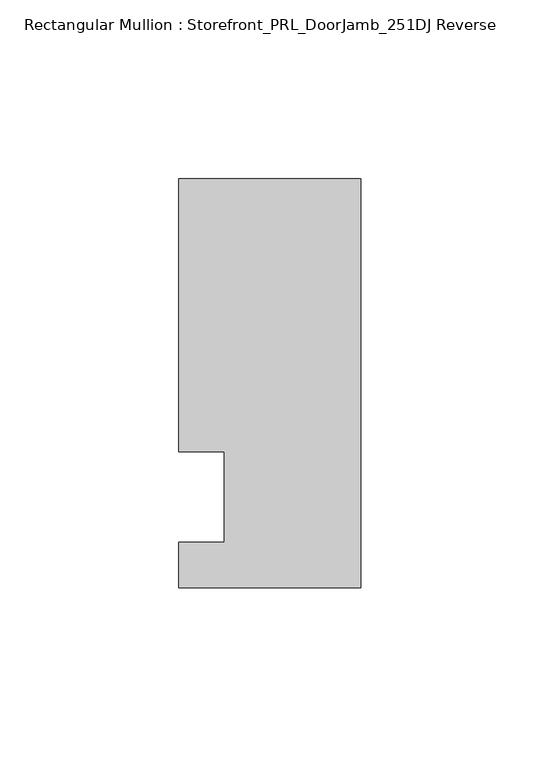
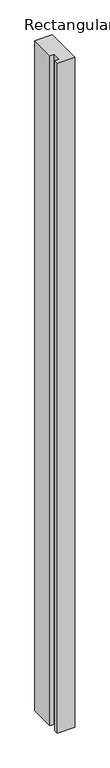
"""IFC4 building model written with IfcOpenShell, lengths in millimetres: member geometry, Rectangular Mullion : Storefront_PRL_DoorJamb_251DJ Reverse."""

from ifc_helpers import new_model, si_unit, frame, origin, place, context, project, spatial, polyline, outline, extrude, source, transform, mapped, element, save


def rectangular_mullion_storefront_prl_doorjamb_251dj_reverse_c7579451(model_context):
    return source(origin(), model_context, "Body", "SweptSolid", [
        extrude(outline(polyline([(-12.7, 12.7), (-25.4, 12.7), (-25.4, 88.9), (25.4, 88.9), (25.4, -25.4), (-25.4, -25.4), (-25.4, -12.7), (-12.7, -12.7), (-12.7, 12.7)])), frame((0.0, 0.0, -2072.48125), z_axis=(0.0, 0.0, 1.0), x_axis=(1.0, 0.0, 0.0)), (0.0, 0.0, 1.0), 2072.48125),
    ])


if __name__ == "__main__":
    model = new_model("IFC4")
    model_context = context("Model", 3, world=origin())
    ifc_project = project(units=[si_unit("LENGTHUNIT", "METRE", prefix="MILLI")], contexts=[model_context])
    site = spatial("IfcSite", under=ifc_project)
    building = spatial("IfcBuilding", under=site)
    placement = place(None, origin())
    rectangular_mullion_storefront_prl_doorjamb_251dj_reverse_shape = rectangular_mullion_storefront_prl_doorjamb_251dj_reverse_c7579451(model_context)
    element("IfcMember", 1, ObjectType="Rectangular Mullion : Storefront_PRL_DoorJamb_251DJ Reverse", at=placement, inside=building, context=model_context, shape_type="MappedRepresentation", body=[
        mapped(rectangular_mullion_storefront_prl_doorjamb_251dj_reverse_shape, transform((0.0, 0.0, 0.0), x_axis=(1.0, 0.0, 0.0), y_axis=(0.0, 1.0, 0.0), z_axis=(0.0, 0.0, 1.0))),
    ])
    save(model, "model.ifc")
